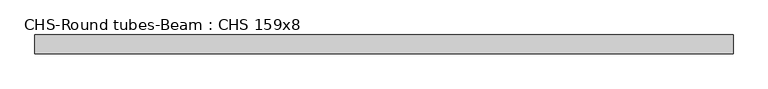
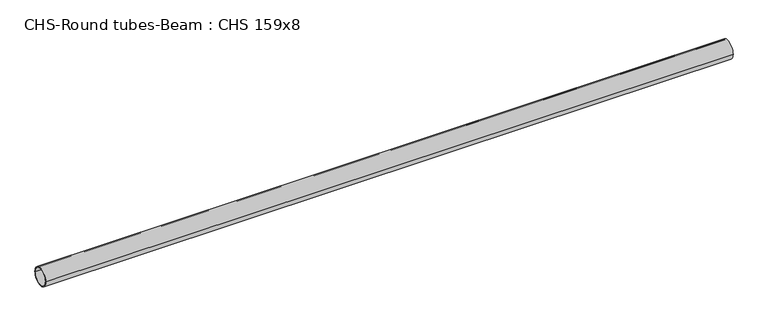
"""IFC4 building model written with IfcOpenShell, lengths in millimetres: beam geometry, CHS-Round tubes-Beam : CHS 159x8."""

from ifc_helpers import new_model, si_unit, point, frame, origin, origin_2d, place, context, project, spatial, circle_curve, trimmed, segment, composite_curve, outline, extrude, source, transform, mapped, element, save


def chs_round_tubes_beam_chs_159x8_3ddb21e9(model_context):
    return source(origin(), model_context, "Body", "SweptSolid", [
        extrude(outline(composite_curve([segment(trimmed(circle_curve(origin_2d(), 79.5), [point((79.5, 0.0))], [point((-79.5, 0.0))], False, "CARTESIAN"), True, "CONTINUOUS"), segment(trimmed(circle_curve(origin_2d(), 79.5), [point((-79.5, 0.0))], [point((79.5, 0.0))], False, "CARTESIAN"), True, "CONTINUOUS")], self_intersect=False), holes=[composite_curve([segment(trimmed(circle_curve(origin_2d(), 71.5), [point((71.5, 0.0))], [point((-71.5, 0.0))], True, "CARTESIAN"), True, "CONTINUOUS"), segment(trimmed(circle_curve(origin_2d(), 71.5), [point((-71.5, 0.0))], [point((71.5, 0.0))], True, "CARTESIAN"), True, "CONTINUOUS")], self_intersect=False)]), frame((-2941.7033212, 0.0, 0.0), z_axis=(1.0, 0.0, 0.0), x_axis=(0.0, 1.0, 0.0)), (0.0, 0.0, 1.0), 5883.4066424),
    ])


if __name__ == "__main__":
    model = new_model("IFC4")
    model_context = context("Model", 3, world=origin())
    ifc_project = project(units=[si_unit("LENGTHUNIT", "METRE", prefix="MILLI")], contexts=[model_context])
    site = spatial("IfcSite", under=ifc_project)
    building = spatial("IfcBuilding", under=site)
    placement = place(None, origin())
    chs_round_tubes_beam_chs_159x8_shape = chs_round_tubes_beam_chs_159x8_3ddb21e9(model_context)
    element("IfcBeam", 1, ObjectType="CHS-Round tubes-Beam : CHS 159x8", at=placement, inside=building, context=model_context, shape_type="MappedRepresentation", body=[
        mapped(chs_round_tubes_beam_chs_159x8_shape, transform((0.0, 0.0, 0.0), x_axis=(1.0, 0.0, 0.0), y_axis=(0.0, 1.0, 0.0), z_axis=(0.0, 0.0, 1.0))),
    ])
    save(model, "model.ifc")
